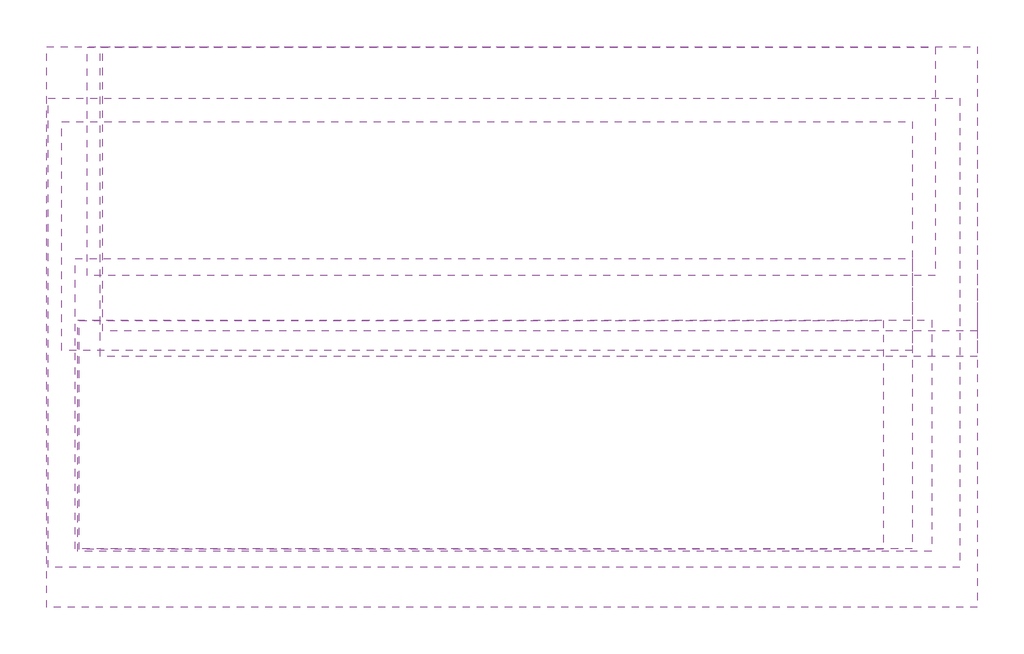
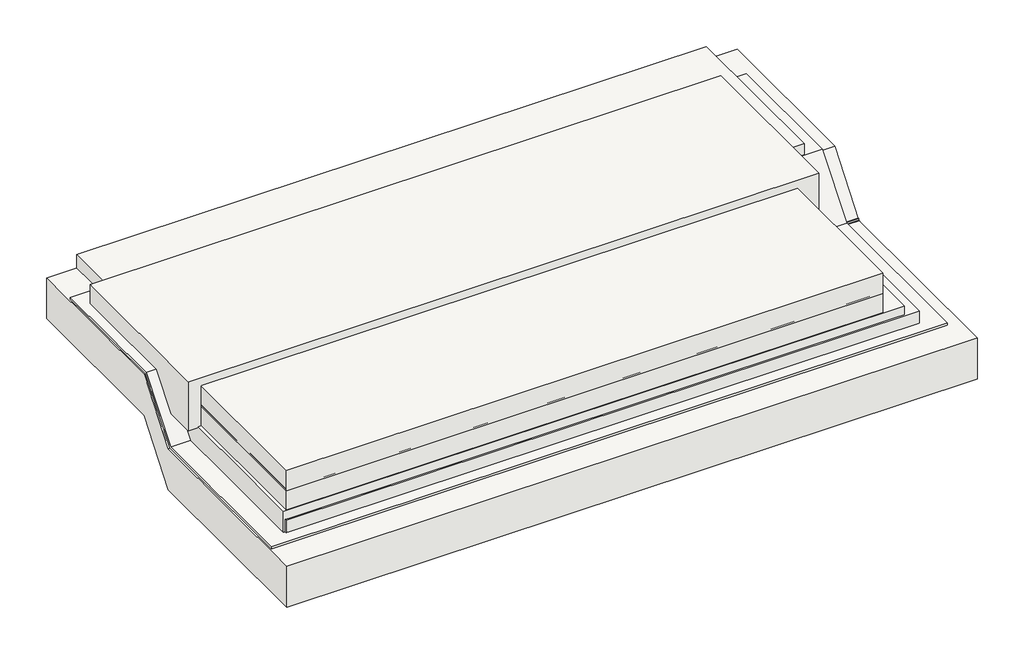
# One storey: 10 slabs.
"""IFC4 building model written with IfcOpenShell, lengths in millimetres."""

from ifc_helpers import new_model, si_unit, frame, origin, place, context, project, spatial, polyline, outline, extrude, faceted_brep, element, save

model = new_model("IFC4")

# Units and contexts
model_context = context("Model", 3, world=origin())
ifc_project = project(units=[si_unit("LENGTHUNIT", "METRE", prefix="MILLI")], contexts=[model_context])

# Site, building, storey
site = spatial("IfcSite", under=ifc_project)
building = spatial("IfcBuilding", under=site)
storey = spatial("IfcBuildingStorey", under=building, Elevation=-4600.0)

# Slabs
placement = place(None, origin())
element("IfcSlab", 1, at=placement, inside=storey, context=model_context, shape_type="SweptSolid", body=[
    extrude(outline(polyline([(6080.2849674, -20174.7053603), (6080.2849674, -18994.7053603), (10224.704592, -18994.7053603), (10224.704592, -20174.7053603), (6080.2849674, -20174.7053603)])), frame((0.0, 0.0, 430.0), z_axis=(0.0, 0.0, 1.0), x_axis=(1.0, 0.0, 0.0)), (0.0, 0.0, 1.0), 150.0),
])
element("IfcSlab", 2, at=placement, inside=storey, context=model_context, shape_type="SweptSolid", body=[
    extrude(outline(polyline([(10493.9819706, -18763.0157851), (6119.0406518, -18763.0157851), (6119.0406518, -17583.0157851), (10493.9819706, -17583.0157851), (10493.9819706, -18763.0157851)])), frame((0.0, 0.0, 355.0), z_axis=(0.0, 0.0, 1.0), x_axis=(1.0, 0.0, 0.0)), (0.0, 0.0, 1.0), 225.0),
])
element("IfcSlab", 3, at=placement, inside=storey, context=model_context, shape_type="SweptSolid", body=[
    extrude(outline(polyline([(5989.7416205, -19147.9443104), (5989.7416205, -17967.9443104), (10373.9819706, -17967.9443104), (10373.9819706, -19147.9443104), (5989.7416205, -19147.9443104)])), frame((0.0, 0.0, 278.0), z_axis=(0.0, 0.0, 1.0), x_axis=(1.0, 0.0, 0.0)), (0.0, 0.0, 1.0), 362.0),
])
element("IfcSlab", 4, at=placement, inside=storey, context=model_context, shape_type="SweptSolid", body=[
    extrude(outline(polyline([(6059.1563901, -20173.2081441), (6059.1563901, -18673.2081441), (10373.9819706, -18673.2081441), (10373.9819706, -20173.2081441), (6059.1563901, -20173.2081441)])), frame((0.0, 0.0, -77.0), z_axis=(0.0, 0.0, 1.0), x_axis=(1.0, 0.0, 0.0)), (0.0, 0.0, 1.0), 362.0),
])
element("IfcSlab", 5, at=placement, inside=storey, context=model_context, shape_type="SweptSolid", body=[
    extrude(outline(polyline([(6071.9832761, -20184.595135), (6071.9832761, -18991.782096), (10473.9819706, -18991.782096), (10473.9819706, -20184.595135), (6071.9832761, -20184.595135)])), frame((0.0, 0.0, -5.0), z_axis=(0.0, 0.0, 1.0), x_axis=(1.0, 0.0, 0.0)), (0.0, 0.0, 1.0), 225.0),
])
element("IfcSlab", 6, at=placement, inside=storey, context=model_context, shape_type="SweptSolid", body=[
    extrude(outline(polyline([(-20268.4574469, -80.0), (-20268.4574469, 130.0), (-19057.8330732, 130.0), (-18764.1504825, 499.040001), (-17847.2086994, 497.0425109), (-17847.2086994, 287.0425109), (-18764.1504825, 289.040001), (-19057.8330732, -80.0), (-20268.4574469, -80.0)])), frame((5919.9236364, 0.0, 0.0), z_axis=(1.0, 0.0, 0.0), x_axis=(0.0, 1.0, 0.0)), (0.0, 0.0, 1.0), 4700.0),
])
element("IfcSlab", 7, at=placement, inside=storey, context=model_context, shape_type="SweptSolid", body=[
    extrude(outline(polyline([(-20474.7053603, -185.8082358), (-20474.7053603, 114.1917642), (-19048.3145285, 114.1917642), (-18754.6319378, 483.2317652), (-17580.0696574, 481.2342751), (-17580.0696574, 181.2342751), (-18754.6319378, 183.2317652), (-19048.3145285, -185.8082358), (-20474.7053603, -185.8082358)])), frame((5910.4390568, 0.0, 0.0), z_axis=(1.0, 0.0, 0.0), x_axis=(0.0, 1.0, 0.0)), (0.0, 0.0, 1.0), 4800.0),
])
element("IfcSlab", 8, at=placement, inside=storey, context=model_context, shape_type="Brep", body=[
    faceted_brep([(6188.0881553, -19178.1683084, -187.1093488), (6188.0881553, -19178.1683084, 112.8906512), (6188.0881553, -18769.1130707, 138.4918444), (6188.0881553, -18616.4425894, 182.9991834), (6188.0881553, -17580.3707583, 212.8906512), (6188.0881553, -17580.3707583, -87.1093488), (6188.0881553, -18616.4425894, -117.0008166), (6188.0881553, -18769.1130707, -161.5081556), (10710.4390568, -17580.3707583, 212.8906512), (10710.4390568, -17580.3707583, -87.1093488), (10710.4390568, -18616.4425894, 188.8905927), (10710.4390568, -18769.1130707, 183.2317652), (10710.4390568, -19178.1683084, 84.7356618), (10710.4390568, -19178.1683084, -215.2643382), (10710.4390568, -18769.1130707, -116.7682348), (10710.4390568, -18616.4425894, -111.1094073)], [[[0, 1, 2, 3, 4, 5, 6, 7]], [[5, 4, 8, 9]], [[9, 8, 10, 11, 12, 13, 14, 15]], [[13, 12, 1, 0]], [[12, 11, 2]], [[8, 4, 3]], [[13, 7, 14]], [[9, 6, 5]], [[12, 2, 1]], [[13, 0, 7]], [[11, 3, 2]], [[8, 3, 10]], [[14, 7, 6]], [[9, 15, 6]], [[11, 10, 3]], [[14, 6, 15]]]),
])
element("IfcSlab", 9, at=placement, inside=storey, context=model_context, shape_type="SweptSolid", body=[
    extrude(outline(polyline([(6201.3770831, -19048.3145285), (6201.3770831, -17580.0696574), (10710.4390568, -17580.0696574), (10710.4390568, -19048.3145285), (6201.3770831, -19048.3145285)])), frame((0.0, 0.0, -174.1886143), z_axis=(0.0, 0.0, 1.0), x_axis=(1.0, 0.0, 0.0)), (0.0, 0.0, 1.0), 300.0),
])
element("IfcSlab", 10, at=placement, inside=storey, context=model_context, shape_type="SweptSolid", body=[
    extrude(outline(polyline([(6080.2849674, -20174.7053603), (6080.2849674, -18994.7053603), (10224.704592, -18994.7053603), (10224.704592, -20174.7053603), (6080.2849674, -20174.7053603)])), frame((0.0, 0.0, 290.0), z_axis=(0.0, 0.0, 1.0), x_axis=(1.0, 0.0, 0.0)), (0.0, 0.0, 1.0), 150.0),
])

save(model, "model.ifc")
